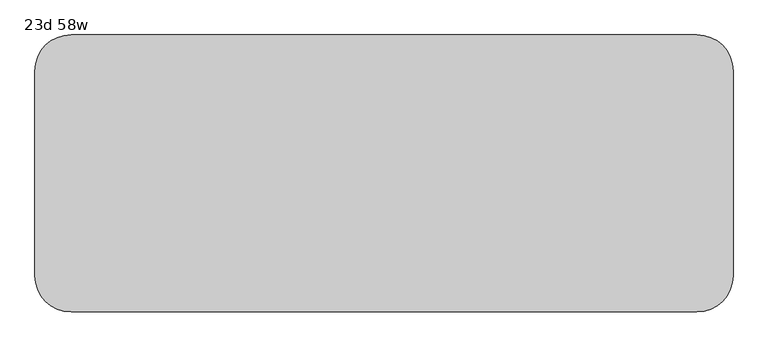
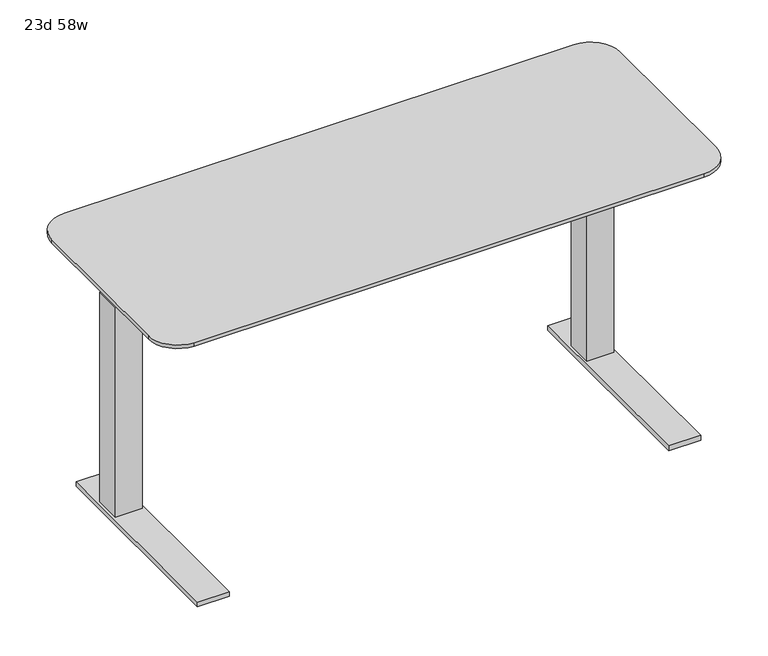
"""IFC4 building model written with IfcOpenShell, lengths in millimetres: furniture geometry, 23d 58w."""

from ifc_helpers import new_model, si_unit, point, frame, frame_2d, origin, origin_with_axes, place, context, project, spatial, polyline, circle_curve, trimmed, segment, composite_curve, outline, extrude, faceted_brep, source, transform, mapped, element, save
from ifc_brep_helpers import plane_surface, cylinder_surface, revolved_surface, advanced_brep


def furniture_23d_58w_a328367b(model_context):
    return source(origin(), model_context, "Body", "SolidModel", [
        advanced_brep(
        [(-215.9, -453.7534766, 736.6), (1104.9, -453.7534766, 736.6), (1181.1, -377.5534766, 736.6), (1181.1, 54.2465234, 736.6), (1104.9, 130.4465234, 736.6), (-215.9, 130.4465234, 736.6), (-292.1, 54.2465234, 736.6), (-292.1, -377.5534766, 736.6), (1104.9, -402.9534766, 706.4375), (-215.9, -402.9534766, 706.4375), (-241.3, -377.5534766, 706.4375), (-241.3, 54.2465234, 706.4375), (-215.9, 79.6465234, 706.4375), (1104.9, 79.6465234, 706.4375), (1130.3, 54.2465234, 706.4375), (1130.3, -377.5534766, 706.4375), (-215.9, -453.7534766, 727.075), (1104.9, -453.7534766, 727.075), (1181.1, -377.5534766, 727.075), (1181.1, 54.2465234, 727.075), (1104.9, 130.4465234, 727.075), (-215.9, 130.4465234, 727.075), (-292.1, 54.2465234, 727.075), (-292.1, -377.5534766, 727.075)],
        [
            (0, 1),
            (1, 2, circle_curve(frame((1104.9, -377.5534766, 736.6), z_axis=(0.0, 0.0, 1.0), x_axis=(1.0, 0.0, 0.0)), 76.2)),
            (2, 3),
            (3, 4, circle_curve(frame((1104.9, 54.2465234, 736.6), z_axis=(0.0, 0.0, 1.0), x_axis=(1.0, 0.0, 0.0)), 76.2)),
            (4, 5),
            (5, 6, circle_curve(frame((-215.9, 54.2465234, 736.6), z_axis=(0.0, 0.0, 1.0), x_axis=(1.0, 0.0, 0.0)), 76.2)),
            (6, 7),
            (7, 0, circle_curve(frame((-215.9, -377.5534766, 736.6), z_axis=(0.0, 0.0, 1.0), x_axis=(1.0, 0.0, 0.0)), 76.2)),
            (8, 9),
            (9, 10, circle_curve(frame((-215.9, -377.5534766, 706.4375), z_axis=(0.0, 0.0, -1.0), x_axis=(-1.0, 0.0, 0.0)), 25.4)),
            (10, 11),
            (11, 12, circle_curve(frame((-215.9, 54.2465234, 706.4375), z_axis=(0.0, 0.0, -1.0), x_axis=(0.0, 1.0, 0.0)), 25.4)),
            (12, 13),
            (13, 14, circle_curve(frame((1104.9, 54.2465234, 706.4375), z_axis=(0.0, 0.0, -1.0), x_axis=(1.0, 0.0, 0.0)), 25.4)),
            (14, 15),
            (15, 8, circle_curve(frame((1104.9, -377.5534766, 706.4375), z_axis=(0.0, 0.0, -1.0), x_axis=(0.0, -1.0, 0.0)), 25.4)),
            (0, 16),
            (16, 17),
            (17, 1),
            (2, 18),
            (18, 19),
            (19, 3),
            (17, 18, circle_curve(frame((1104.9, -377.5534766, 727.075), z_axis=(0.0, 0.0, 1.0), x_axis=(1.0, 0.0, 0.0)), 76.2)),
            (4, 20),
            (20, 21),
            (21, 5),
            (8, 17),
            (16, 9),
            (15, 18),
            (14, 19),
            (13, 20),
            (20, 19, circle_curve(frame((1104.9, 54.2465234, 727.075), z_axis=(0.0, 0.0, -1.0), x_axis=(1.0, 0.0, 0.0)), 76.2)),
            (12, 21),
            (6, 22),
            (22, 23),
            (23, 7),
            (21, 22, circle_curve(frame((-215.9, 54.2465234, 727.075), z_axis=(0.0, 0.0, 1.0), x_axis=(1.0, 0.0, 0.0)), 76.2)),
            (23, 16, circle_curve(frame((-215.9, -377.5534766, 727.075), z_axis=(0.0, 0.0, 1.0), x_axis=(1.0, 0.0, 0.0)), 76.2)),
            (11, 22),
            (10, 23),
        ],
        [
            plane_surface(frame((1104.9, -453.7534766, 736.6), z_axis=(0.0, 0.0, 1.0), x_axis=(1.0, 0.0, 0.0))),
            plane_surface(frame((1104.9, -453.7534766, 706.4375), z_axis=(0.0, 0.0, -1.0), x_axis=(-1.0, 0.0, 0.0))),
            plane_surface(frame((-215.9, -453.7534766, 736.6), z_axis=(0.0, -1.0, 0.0), x_axis=(0.0, 0.0, -1.0))),
            plane_surface(frame((1181.1, -377.5534766, 736.6), z_axis=(1.0, 0.0, 0.0), x_axis=(0.0, 0.0, -1.0))),
            cylinder_surface(frame((1104.9, -377.5534766, 706.4375), z_axis=(0.0, 0.0, 1.0), x_axis=(1.0, 0.0, 0.0)), 76.2),
            plane_surface(frame((1104.9, 130.4465234, 736.6), z_axis=(0.0, 1.0, 0.0), x_axis=(0.0, 0.0, -1.0))),
            plane_surface(frame((-215.9, -453.7534766, 727.075), z_axis=(0.0, -0.3763770469570871, -0.9264665771218423), x_axis=(1.0, 0.0, 0.0))),
            revolved_surface(polyline([(1104.9, -402.9534766, 706.4375), (1104.9, -453.7534766, 727.075)]), (1104.9, -377.5534766, 706.4375), (0.0, 0.0, 1.0)),
            plane_surface(frame((1181.1, -377.5534766, 727.075), z_axis=(0.3763770469570871, 0.0, -0.9264665771218423), x_axis=(0.0, 1.0, 0.0))),
            revolved_surface(polyline([(1130.3, 54.2465234, 706.4375), (1181.1, 54.2465234, 727.075)]), (1104.9, 54.2465234, 706.4375), (0.0, 0.0, 1.0)),
            plane_surface(frame((1104.9, 130.4465234, 727.075), z_axis=(0.0, 0.3763770469570871, -0.9264665771218423), x_axis=(-1.0, 0.0, 0.0))),
            cylinder_surface(frame((1104.9, 54.2465234, 706.4375), z_axis=(0.0, 0.0, 1.0), x_axis=(1.0, 0.0, 0.0)), 76.2),
            plane_surface(frame((-292.1, 54.2465234, 736.6), z_axis=(-1.0, 0.0, 0.0), x_axis=(0.0, 0.0, -1.0))),
            cylinder_surface(frame((-215.9, 54.2465234, 706.4375), z_axis=(0.0, 0.0, 1.0), x_axis=(1.0, 0.0, 0.0)), 76.2),
            cylinder_surface(frame((-215.9, -377.5534766, 706.4375), z_axis=(0.0, 0.0, 1.0), x_axis=(1.0, 0.0, 0.0)), 76.2),
            revolved_surface(polyline([(-215.9, 79.6465234, 706.4375), (-215.9, 130.4465234, 727.075)]), (-215.9, 54.2465234, 706.4375), (0.0, 0.0, 1.0)),
            plane_surface(frame((-292.1, 54.2465234, 727.075), z_axis=(-0.3763770469570871, 0.0, -0.9264665771218423), x_axis=(0.0, -1.0, 0.0))),
            revolved_surface(polyline([(-241.3, -377.5534766, 706.4375), (-292.1, -377.5534766, 727.075)]), (-215.9, -377.5534766, 706.4375), (0.0, 0.0, 1.0)),
        ],
        [
            (0, [[1, 2, 3, 4, 5, 6, 7, 8]]),
            (1, [[9, 10, 11, 12, 13, 14, 15, 16]]),
            (2, [[-1, 17, 18, 19]]),
            (3, [[-3, 20, 21, 22]]),
            (4, [[-2, -19, 23, -20]]),
            (5, [[-5, 24, 25, 26]]),
            (6, [[27, -18, 28, -9]]),
            (7, [[-27, -16, 29, -23]]),
            (8, [[-29, -15, 30, -21]]),
            (9, [[-30, -14, 31, 32]]),
            (10, [[-31, -13, 33, -25]]),
            (11, [[-4, -22, -32, -24]]),
            (12, [[-7, 34, 35, 36]]),
            (13, [[-6, -26, 37, -34]]),
            (14, [[-8, -36, 38, -17]]),
            (15, [[-33, -12, 39, -37]]),
            (16, [[-39, -11, 40, -35]]),
            (17, [[-28, -38, -40, -10]]),
        ],
    ),
        extrude(outline(composite_curve([segment(trimmed(circle_curve(frame_2d((1055.6875, 22.4965234)), 28.5342152), [point((1084.2217152, 22.4965234))], [point((1027.1532848, 22.4965234))], False, "CARTESIAN"), True, "CONTINUOUS"), segment(trimmed(circle_curve(frame_2d((1055.6875, 22.4965234)), 28.5342152), [point((1027.1532848, 22.4965234))], [point((1084.2217152, 22.4965234))], False, "CARTESIAN"), True, "CONTINUOUS")], self_intersect=False)), origin_with_axes(), (0.0, 0.0, 1.0), 9.525),
        extrude(outline(composite_curve([segment(trimmed(circle_curve(frame_2d((1055.6875, -347.3909766)), 28.6553383), [point((1084.3428383, -347.3909766))], [point((1027.0321617, -347.3909766))], False, "CARTESIAN"), True, "CONTINUOUS"), segment(trimmed(circle_curve(frame_2d((1055.6875, -347.3909766)), 28.6553383), [point((1027.0321617, -347.3909766))], [point((1084.3428383, -347.3909766))], False, "CARTESIAN"), True, "CONTINUOUS")], self_intersect=False)), origin_with_axes(), (0.0, 0.0, 1.0), 9.525),
        extrude(outline(polyline([(1025.525, -9.2534766), (1085.85, -9.2534766), (1085.85, -69.5784766), (1025.525, -69.5784766), (1025.525, -9.2534766)])), frame((0.0, 0.0, 596.9), z_axis=(0.0, 0.0, 1.0), x_axis=(1.0, 0.0, 0.0)), (0.0, 0.0, 1.0), 109.5375),
        faceted_brep([(1014.4125, 90.7590234, 9.525), (1014.4125, -453.7534766, 9.525), (1014.4125, -453.7534766, 22.225), (1014.4125, 90.7590234, 22.225), (1096.9625, 90.7590234, 9.525), (1096.9625, 90.7590234, 22.225), (1096.9625, -453.7534766, 22.225), (1096.9625, -453.7534766, 9.525), (1020.7625, -4.4909766, 596.9), (1020.7625, -74.3409766, 596.9), (1090.6125, -74.3409766, 596.9), (1090.6125, -4.4909766, 596.9), (1090.6125, -4.4909766, 22.225), (1020.7625, -4.4909766, 22.225), (1090.6125, -74.3409766, 22.225), (1020.7625, -74.3409766, 22.225)], [[[0, 1, 2, 3]], [[4, 5, 6, 7]], [[0, 4, 7, 1]], [[8, 9, 10, 11]], [[11, 12, 13, 8]], [[10, 14, 12, 11]], [[9, 15, 14, 10]], [[8, 13, 15, 9]], [[3, 5, 4, 0]], [[2, 6, 5, 3], [12, 14, 15, 13]], [[1, 7, 6, 2]]]),
        extrude(outline(polyline([(122.5090234, 706.4375), (122.5090234, 697.1238172), (-19.4652187, 639.7625), (-134.112735, 639.7625), (-283.8909766, 668.8764409), (-283.8909766, 706.4375), (122.5090234, 706.4375)])), frame((1090.6125, 0.0, 0.0), z_axis=(1.0, 0.0, 0.0), x_axis=(0.0, 1.0, 0.0)), (0.0, 0.0, 1.0), 3.175),
        extrude(outline(composite_curve([segment(trimmed(circle_curve(frame_2d((-166.6875, 22.4965234)), 28.5342152), [point((-195.2217152, 22.4965234))], [point((-138.1532848, 22.4965234))], False, "CARTESIAN"), True, "CONTINUOUS"), segment(trimmed(circle_curve(frame_2d((-166.6875, 22.4965234)), 28.5342152), [point((-138.1532848, 22.4965234))], [point((-195.2217152, 22.4965234))], False, "CARTESIAN"), True, "CONTINUOUS")], self_intersect=False)), origin_with_axes(), (0.0, 0.0, 1.0), 9.525),
        extrude(outline(composite_curve([segment(trimmed(circle_curve(frame_2d((-166.6875, -347.3909766)), 28.6553383), [point((-195.3428383, -347.3909766))], [point((-138.0321617, -347.3909766))], False, "CARTESIAN"), True, "CONTINUOUS"), segment(trimmed(circle_curve(frame_2d((-166.6875, -347.3909766)), 28.6553383), [point((-138.0321617, -347.3909766))], [point((-195.3428383, -347.3909766))], False, "CARTESIAN"), True, "CONTINUOUS")], self_intersect=False)), origin_with_axes(), (0.0, 0.0, 1.0), 9.525),
        extrude(outline(polyline([(-136.525, -9.2534766), (-136.525, -69.5784766), (-196.85, -69.5784766), (-196.85, -9.2534766), (-136.525, -9.2534766)])), frame((0.0, 0.0, 596.9), z_axis=(0.0, 0.0, 1.0), x_axis=(1.0, 0.0, 0.0)), (0.0, 0.0, 1.0), 109.5375),
        faceted_brep([(-125.4125, 90.7590234, 9.525), (-125.4125, 90.7590234, 22.225), (-125.4125, -453.7534766, 22.225), (-125.4125, -453.7534766, 9.525), (-207.9625, 90.7590234, 9.525), (-207.9625, -453.7534766, 9.525), (-207.9625, -453.7534766, 22.225), (-207.9625, 90.7590234, 22.225), (-131.7625, -4.4909766, 596.9), (-201.6125, -4.4909766, 596.9), (-201.6125, -74.3409766, 596.9), (-131.7625, -74.3409766, 596.9), (-131.7625, -4.4909766, 22.225), (-201.6125, -4.4909766, 22.225), (-201.6125, -74.3409766, 22.225), (-131.7625, -74.3409766, 22.225)], [[[0, 1, 2, 3]], [[4, 5, 6, 7]], [[0, 3, 5, 4]], [[8, 9, 10, 11]], [[9, 8, 12, 13]], [[10, 9, 13, 14]], [[11, 10, 14, 15]], [[8, 11, 15, 12]], [[1, 0, 4, 7]], [[2, 1, 7, 6], [13, 12, 15, 14]], [[3, 2, 6, 5]]]),
        extrude(outline(polyline([(122.5090234, 706.4375), (122.5090234, 697.1238172), (-19.4652187, 639.7625), (-134.112735, 639.7625), (-283.8909766, 668.8764409), (-283.8909766, 706.4375), (122.5090234, 706.4375)])), frame((-204.7875, 0.0, 0.0), z_axis=(1.0, 0.0, 0.0), x_axis=(0.0, 1.0, 0.0)), (0.0, 0.0, 1.0), 3.175),
        extrude(outline(polyline([(25.4585171, 649.8500141), (-89.8230727, 649.8500141), (-89.8230727, 697.9814512), (-109.5630742, 697.9814512), (-109.5630742, 689.8499708), (-112.1930735, 689.8499708), (-112.1930735, 700.6603575), (47.8331325, 700.6603575), (47.8331325, 689.8499708), (45.2031332, 689.8499708), (45.2031332, 697.9814512), (25.4585171, 697.9814512), (25.4585171, 649.8500141)])), frame((-131.7625, 0.0, 0.0), z_axis=(1.0, 0.0, 0.0), x_axis=(0.0, 1.0, 0.0)), (0.0, 0.0, 1.0), 1152.525),
    ])


if __name__ == "__main__":
    model = new_model("IFC4")
    model_context = context("Model", 3, world=origin())
    ifc_project = project(units=[si_unit("LENGTHUNIT", "METRE", prefix="MILLI")], contexts=[model_context])
    site = spatial("IfcSite", under=ifc_project)
    building = spatial("IfcBuilding", under=site)
    placement = place(None, origin())
    furniture_23d_58w_shape = furniture_23d_58w_a328367b(model_context)
    element("IfcFurniture", 1, ObjectType="23d 58w", at=placement, inside=building, context=model_context, shape_type="MappedRepresentation", body=[
        mapped(furniture_23d_58w_shape, transform((0.0, 0.0, 0.0), x_axis=(1.0, 0.0, 0.0), y_axis=(0.0, 1.0, 0.0), z_axis=(0.0, 0.0, 1.0))),
    ])
    save(model, "model.ifc")
